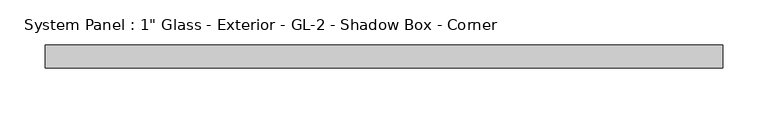
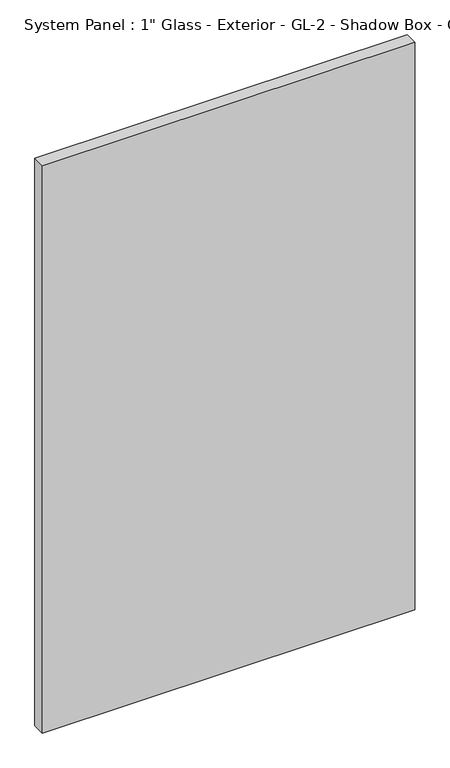
"""IFC4 building model written with IfcOpenShell, lengths in millimetres: plate geometry."""

from ifc_helpers import new_model, si_unit, origin, origin_with_axes, place, context, project, spatial, polyline, outline, extrude, source, transform, mapped, element, save


def plate_6786e743(model_context):
    return source(origin(), model_context, "Body", "SweptSolid", [
        extrude(outline(polyline([(375.5074423, 12.7), (-375.5074423, 12.7), (-375.5074423, 38.1), (375.5074423, 38.1), (375.5074423, 12.7)])), origin_with_axes(), (0.0, 0.0, 1.0), 1209.675),
    ])


if __name__ == "__main__":
    model = new_model("IFC4")
    model_context = context("Model", 3, world=origin())
    ifc_project = project(units=[si_unit("LENGTHUNIT", "METRE", prefix="MILLI")], contexts=[model_context])
    site = spatial("IfcSite", under=ifc_project)
    building = spatial("IfcBuilding", under=site)
    placement = place(None, origin())
    plate_shape = plate_6786e743(model_context)
    element("IfcPlate", 1, ObjectType="System Panel : 1\" Glass - Exterior - GL-2 - Shadow Box - Corner", at=placement, inside=building, context=model_context, shape_type="MappedRepresentation", body=[
        mapped(plate_shape, transform((0.0, 0.0, 0.0), x_axis=(1.0, 0.0, 0.0), y_axis=(0.0, 1.0, 0.0), z_axis=(0.0, 0.0, 1.0))),
    ])
    save(model, "model.ifc")
